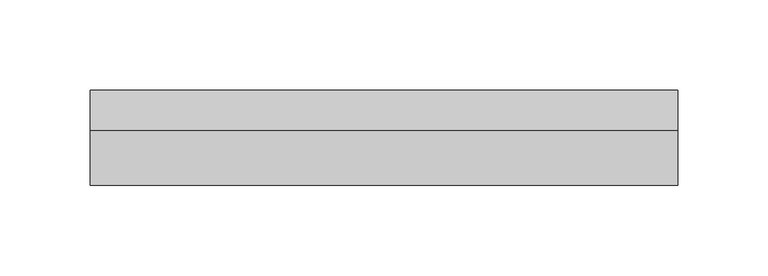
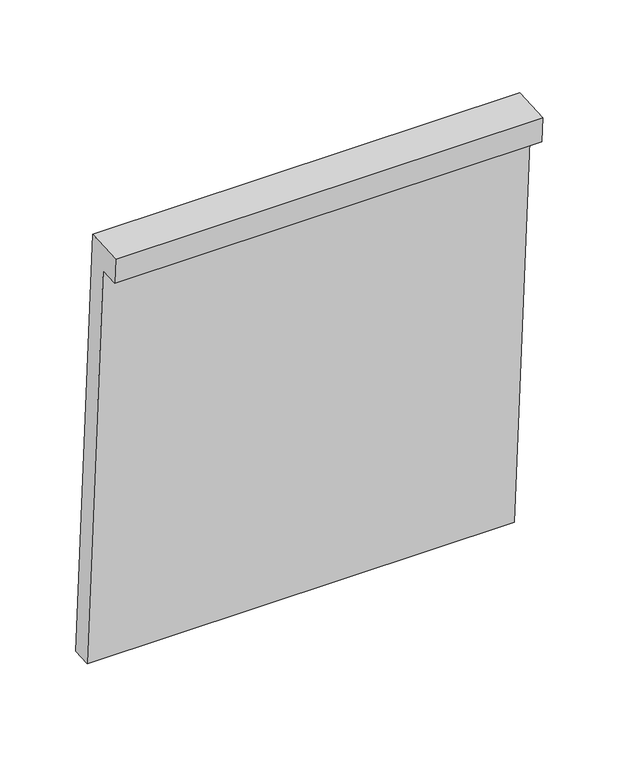
"""IFC4 building model written with IfcOpenShell, lengths in millimetres: plate geometry."""

from ifc_helpers import new_model, si_unit, frame, origin, place, context, project, spatial, polyline, outline, extrude, source, transform, mapped, element, save


def plate_b33f2776(model_context):
    return source(origin(), model_context, "Body", "SweptSolid", [
        extrude(outline(polyline([(52.4025306, -222.3528102), (37.4334594, -223.3155697), (16.2527506, 106.0039976), (1.2836793, 105.0412381), (0.0, 125.0), (29.9381425, 126.925519), (52.4025306, -222.3528102)])), frame((-162.4999998, 0.0, 0.0), z_axis=(1.0, 0.0, 0.0), x_axis=(0.0, 1.0, 0.0)), (0.0, 0.0, 1.0), 324.9999997),
    ])


if __name__ == "__main__":
    model = new_model("IFC4")
    model_context = context("Model", 3, world=origin())
    ifc_project = project(units=[si_unit("LENGTHUNIT", "METRE", prefix="MILLI")], contexts=[model_context])
    site = spatial("IfcSite", under=ifc_project)
    building = spatial("IfcBuilding", under=site)
    placement = place(None, origin())
    plate_shape = plate_b33f2776(model_context)
    element("IfcPlate", 1, at=placement, inside=building, context=model_context, shape_type="MappedRepresentation", body=[
        mapped(plate_shape, transform((0.0, 0.0, 0.0), x_axis=(1.0, 0.0, 0.0), y_axis=(0.0, 1.0, 0.0), z_axis=(0.0, 0.0, 1.0))),
    ])
    save(model, "model.ifc")
